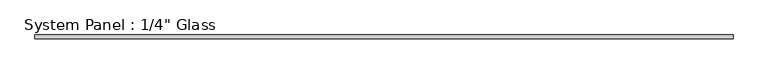
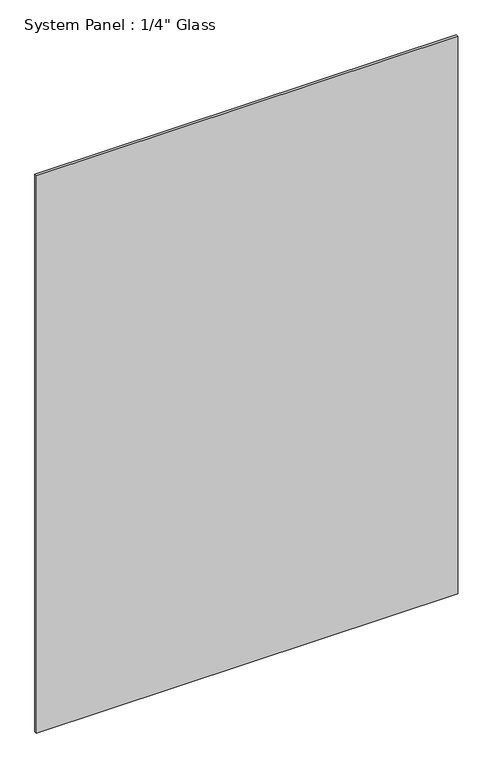
"""IFC4 building model written with IfcOpenShell, lengths in millimetres: plate geometry."""

from ifc_helpers import new_model, si_unit, origin, origin_with_axes, place, context, project, spatial, polyline, outline, extrude, source, transform, mapped, element, save


def plate_8e3c4dc0(model_context):
    return source(origin(), model_context, "Body", "SweptSolid", [
        extrude(outline(polyline([(606.425, -3.175), (-606.425, -3.175), (-606.425, 3.175), (606.425, 3.175), (606.425, -3.175)])), origin_with_axes(), (0.0, 0.0, 1.0), 1695.45),
    ])


if __name__ == "__main__":
    model = new_model("IFC4")
    model_context = context("Model", 3, world=origin())
    ifc_project = project(units=[si_unit("LENGTHUNIT", "METRE", prefix="MILLI")], contexts=[model_context])
    site = spatial("IfcSite", under=ifc_project)
    building = spatial("IfcBuilding", under=site)
    placement = place(None, origin())
    plate_shape = plate_8e3c4dc0(model_context)
    element("IfcPlate", 1, ObjectType="System Panel : 1/4\" Glass", at=placement, inside=building, context=model_context, shape_type="MappedRepresentation", body=[
        mapped(plate_shape, transform((0.0, 0.0, 0.0), x_axis=(1.0, 0.0, 0.0), y_axis=(0.0, 1.0, 0.0), z_axis=(0.0, 0.0, 1.0))),
    ])
    save(model, "model.ifc")
